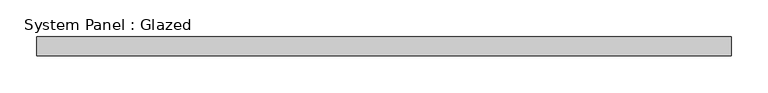
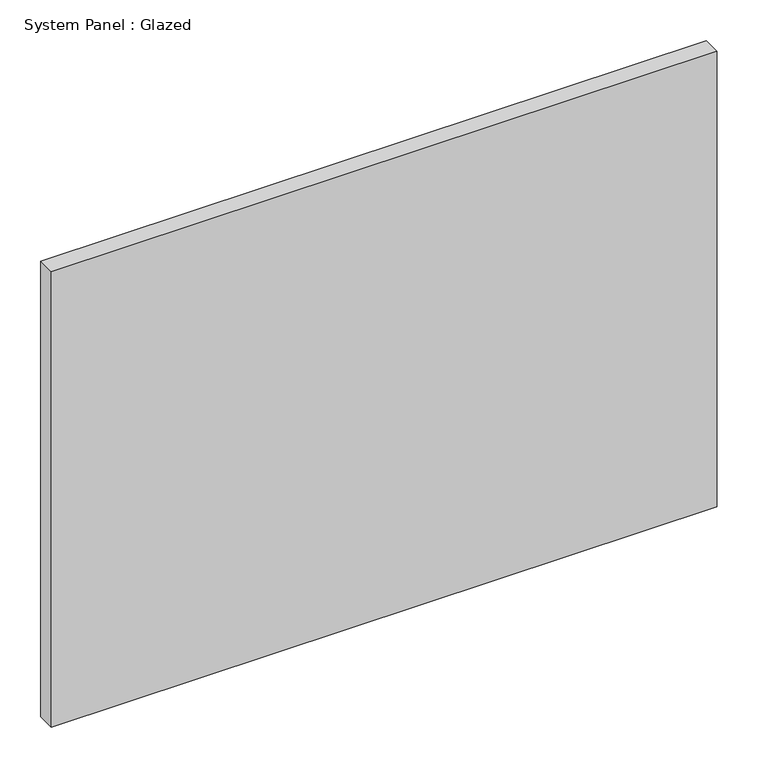
"""IFC4 building model written with IfcOpenShell, lengths in millimetres: plate geometry, System Panel : Glazed."""

from ifc_helpers import new_model, si_unit, origin, origin_with_axes, place, context, project, spatial, polyline, outline, extrude, source, transform, mapped, element, save


def system_panel_glazed_4d62007f(model_context):
    return source(origin(), model_context, "Body", "SweptSolid", [
        extrude(outline(polyline([(469.9, -12.7), (-469.9, -12.7), (-469.9, 12.7), (469.9, 12.7), (469.9, -12.7)])), origin_with_axes(), (0.0, 0.0, 1.0), 679.45),
    ])


if __name__ == "__main__":
    model = new_model("IFC4")
    model_context = context("Model", 3, world=origin())
    ifc_project = project(units=[si_unit("LENGTHUNIT", "METRE", prefix="MILLI")], contexts=[model_context])
    site = spatial("IfcSite", under=ifc_project)
    building = spatial("IfcBuilding", under=site)
    placement = place(None, origin())
    system_panel_glazed_shape = system_panel_glazed_4d62007f(model_context)
    element("IfcPlate", 1, ObjectType="System Panel : Glazed", at=placement, inside=building, context=model_context, shape_type="MappedRepresentation", body=[
        mapped(system_panel_glazed_shape, transform((0.0, 0.0, 0.0), x_axis=(1.0, 0.0, 0.0), y_axis=(0.0, 1.0, 0.0), z_axis=(0.0, 0.0, 1.0))),
    ])
    save(model, "model.ifc")
